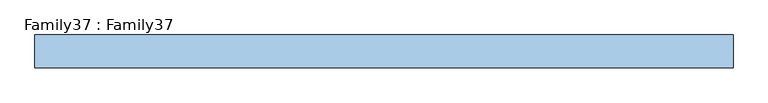
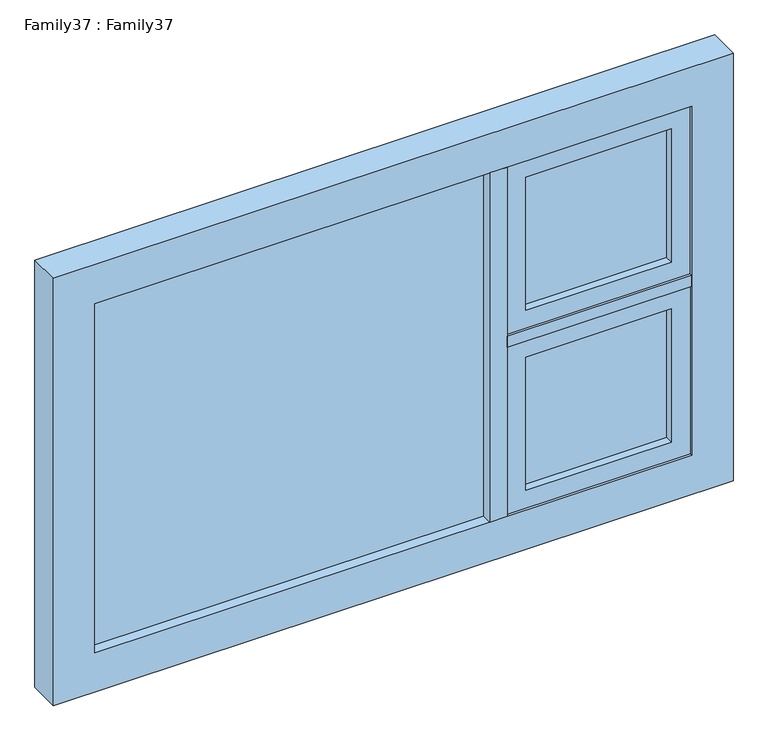
"""IFC4 building model written with IfcOpenShell, lengths in millimetres: window geometry, Family37 : Family37."""

from ifc_helpers import new_model, si_unit, frame, origin, place, context, project, spatial, polyline, outline, extrude, source, transform, mapped, element, save


def family37_family37_2feddec5(model_context):
    return source(origin(), model_context, "Body", "SweptSolid", [
        extrude(outline(polyline([(736.0, 14.0), (736.0, 10.0), (353.0338837, 10.0), (353.0338837, 14.0), (736.0, 14.0)])), frame((0.0, 0.0, 959.0), z_axis=(0.0, 0.0, 1.0), x_axis=(1.0, 0.0, 0.0)), (0.0, 0.0, 1.0), 371.0),
        extrude(outline(polyline([(353.0338837, -14.0), (353.0338837, -10.0), (736.0, -10.0), (736.0, -14.0), (353.0338837, -14.0)])), frame((0.0, 0.0, 959.0), z_axis=(0.0, 0.0, 1.0), x_axis=(1.0, 0.0, 0.0)), (0.0, 0.0, 1.0), 371.0),
        extrude(outline(polyline([(1380.0, 786.0), (1380.0, 300.0), (909.0, 300.0), (909.0, 786.0), (1380.0, 786.0)]), holes=[polyline([(959.0, 353.0338837), (1330.0, 353.0338837), (1330.0, 736.0), (959.0, 736.0), (959.0, 353.0338837)])]), frame((0.0, -35.5110303, 0.0), z_axis=(0.0, 1.0, 0.0), x_axis=(0.0, 0.0, 1.0)), (0.0, 0.0, 1.0), 70.4146297),
        extrude(outline(polyline([(253.8050141, 14.0), (253.8050141, 10.0), (-786.0, 10.0), (-786.0, 14.0), (253.8050141, 14.0)])), frame((0.0, 0.0, 909.0), z_axis=(0.0, 0.0, 1.0), x_axis=(1.0, 0.0, 0.0)), (0.0, 0.0, 1.0), 972.0),
        extrude(outline(polyline([(-786.0, -14.0), (-786.0, -10.0), (253.8050141, -10.0), (253.8050141, -14.0), (-786.0, -14.0)])), frame((0.0, 0.0, 909.0), z_axis=(0.0, 0.0, 1.0), x_axis=(1.0, 0.0, 0.0)), (0.0, 0.0, 1.0), 972.0),
        extrude(outline(polyline([(300.0, -42.0), (253.8050141, -42.0), (253.8050141, 42.0), (300.0, 42.0), (300.0, -42.0)])), frame((0.0, 0.0, 909.0), z_axis=(0.0, 0.0, 1.0), x_axis=(1.0, 0.0, 0.0)), (0.0, 0.0, 1.0), 972.0),
        extrude(outline(polyline([(1990.0, 895.0), (1990.0, -895.0), (800.0, -895.0), (800.0, 895.0), (1990.0, 895.0)]), holes=[polyline([(909.0, 786.0), (909.0, -786.0), (1881.0, -786.0), (1881.0, 786.0), (909.0, 786.0)])]), frame((0.0, -42.0, 0.0), z_axis=(0.0, 1.0, 0.0), x_axis=(0.0, 0.0, 1.0)), (0.0, 0.0, 1.0), 84.0),
        extrude(outline(polyline([(786.0, -42.0), (300.0, -42.0), (300.0, 42.0), (786.0, 42.0), (786.0, -42.0)])), frame((0.0, 0.0, 1380.0), z_axis=(0.0, 0.0, 1.0), x_axis=(1.0, 0.0, 0.0)), (0.0, 0.0, 1.0), 30.0),
        extrude(outline(polyline([(736.0, 14.0), (736.0, 10.0), (353.0338837, 10.0), (353.0338837, 14.0), (736.0, 14.0)])), frame((0.0, 0.0, 1460.0), z_axis=(0.0, 0.0, 1.0), x_axis=(1.0, 0.0, 0.0)), (0.0, 0.0, 1.0), 371.0),
        extrude(outline(polyline([(353.0338837, -14.0), (353.0338837, -10.0), (736.0, -10.0), (736.0, -14.0), (353.0338837, -14.0)])), frame((0.0, 0.0, 1460.0), z_axis=(0.0, 0.0, 1.0), x_axis=(1.0, 0.0, 0.0)), (0.0, 0.0, 1.0), 371.0),
        extrude(outline(polyline([(1881.0, 786.0), (1881.0, 300.0), (1410.0, 300.0), (1410.0, 786.0), (1881.0, 786.0)]), holes=[polyline([(1460.0, 353.0338837), (1831.0, 353.0338837), (1831.0, 736.0), (1460.0, 736.0), (1460.0, 353.0338837)])]), frame((0.0, -35.5110303, 0.0), z_axis=(0.0, 1.0, 0.0), x_axis=(0.0, 0.0, 1.0)), (0.0, 0.0, 1.0), 70.4146297),
    ])


if __name__ == "__main__":
    model = new_model("IFC4")
    model_context = context("Model", 3, world=origin())
    ifc_project = project(units=[si_unit("LENGTHUNIT", "METRE", prefix="MILLI")], contexts=[model_context])
    site = spatial("IfcSite", under=ifc_project)
    building = spatial("IfcBuilding", under=site)
    placement = place(None, origin())
    family37_family37_shape = family37_family37_2feddec5(model_context)
    element("IfcWindow", 1, ObjectType="Family37 : Family37", at=placement, inside=building, context=model_context, shape_type="MappedRepresentation", body=[
        mapped(family37_family37_shape, transform((0.0, 0.0, 0.0), x_axis=(1.0, 0.0, 0.0), y_axis=(0.0, 1.0, 0.0), z_axis=(0.0, 0.0, 1.0))),
    ])
    save(model, "model.ifc")
